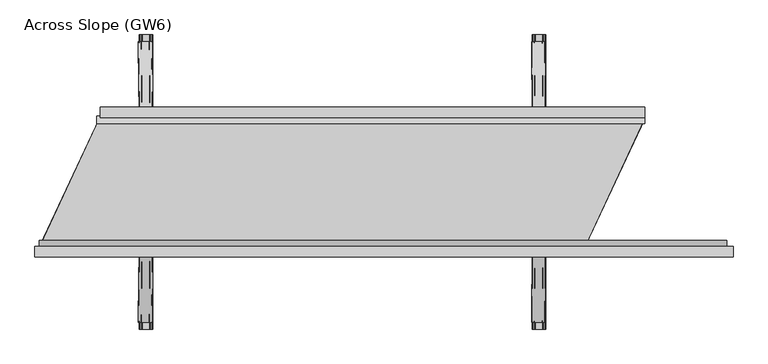
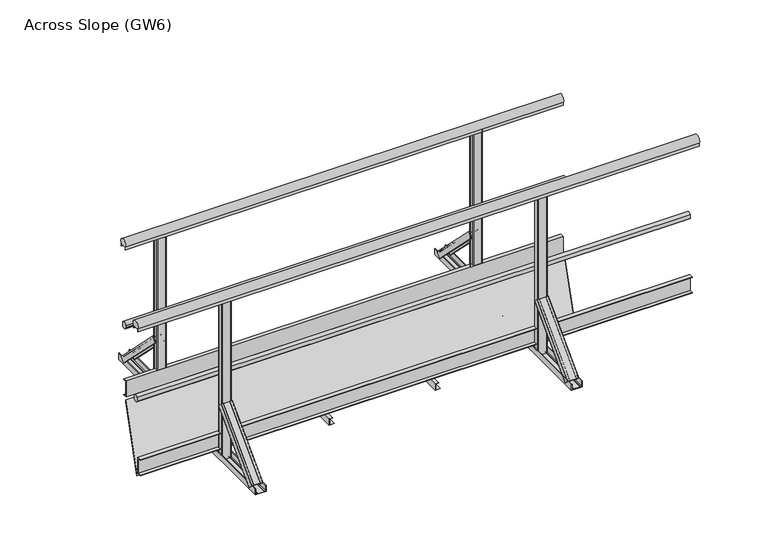
"""IFC4 building model written with IfcOpenShell, lengths in millimetres: proxy geometry, Across Slope (GW6)."""

from ifc_helpers import new_model, si_unit, point, frame, frame_2d, origin, origin_with_axes, place, context, project, spatial, polyline, circle_curve, trimmed, segment, composite_curve, outline, extrude, source, transform, mapped, element, save
from ifc_brep_helpers import plane_surface, extruded_surface, advanced_brep


def across_slope_gw6_6915d03c(model_context):
    return source(origin(), model_context, "Body", "SolidModel", [
        extrude(outline(polyline([(34.5, 63.0), (9.5, 63.0), (9.5, 163.0), (34.5, 163.0), (34.5, 160.0), (12.5, 160.0), (12.5, 66.0), (34.5, 66.0), (34.5, 63.0)])), frame((288.6034865, 0.0, 0.0), z_axis=(1.0, 0.0, 0.0), x_axis=(0.0, 1.0, 0.0)), (0.0, 0.0, 1.0), 2582.9381096),
        extrude(outline(composite_curve([segment(trimmed(circle_curve(frame_2d((31.5, 1015.0)), 25.0), [point((10.5, 1001.43534))], [point((52.5, 1001.43534))], False, "CARTESIAN"), True, "CONTINUOUS"), segment(polyline([(52.5, 1001.43534), (52.5, 983.0), (51.5, 983.0), (51.5, 998.0), (11.5, 998.0), (11.5, 983.0), (10.5, 983.0), (10.5, 1001.43534)]), True, "CONTINUOUS")], self_intersect=False)), frame((285.0, 0.0, 0.0), z_axis=(1.0, 0.0, 0.0), x_axis=(0.0, 1.0, 0.0)), (0.0, 0.0, 1.0), 2587.9381096),
        extrude(outline(composite_curve([segment(polyline([(-21.8, 520.617273), (-17.8, 520.617273), (-17.8, 535.382727), (-21.8, 535.382727)]), True, "CONTINUOUS"), segment(trimmed(circle_curve(frame_2d((-3.212495, 528.0)), 20.0), [point((-21.8, 535.382727))], [point((12.5, 540.3740657))], False, "CARTESIAN"), True, "CONTINUOUS"), segment(polyline([(12.5, 540.3740657), (12.5, 515.6259343)]), True, "CONTINUOUS"), segment(trimmed(circle_curve(frame_2d((-3.212495, 528.0)), 20.0), [point((12.5, 515.6259343))], [point((-21.8, 520.617273))], False, "CARTESIAN"), True, "CONTINUOUS")], self_intersect=False)), frame((270.0, 0.0, 0.0), z_axis=(1.0, 0.0, 0.0), x_axis=(0.0, 1.0, 0.0)), (0.0, 0.0, 1.0), 2602.9381096),
        extrude(outline(polyline([(-634.5, 63.0), (-634.5, 66.0), (-612.5, 66.0), (-612.5, 160.0), (-634.5, 160.0), (-634.5, 163.0), (-609.5, 163.0), (-609.5, 63.0), (-634.5, 63.0)])), frame((0.0, 0.0, 0.0), z_axis=(1.0, 0.0, 0.0), x_axis=(0.0, 1.0, 0.0)), (0.0, 0.0, 1.0), 3262.9381096),
        extrude(outline(composite_curve([segment(trimmed(circle_curve(frame_2d((-596.787505, 528.0)), 20.0), [point((-578.2, 520.617273))], [point((-612.5, 515.6259343))], False, "CARTESIAN"), True, "CONTINUOUS"), segment(polyline([(-612.5, 515.6259343), (-612.5, 540.3740657)]), True, "CONTINUOUS"), segment(trimmed(circle_curve(frame_2d((-596.787505, 528.0)), 20.0), [point((-612.5, 540.3740657))], [point((-578.2, 535.382727))], False, "CARTESIAN"), True, "CONTINUOUS"), segment(polyline([(-578.2, 535.382727), (-582.2, 535.382727), (-582.2, 520.617273), (-578.2, 520.617273)]), True, "CONTINUOUS")], self_intersect=False)), frame((-5.0, 0.0, 0.0), z_axis=(1.0, 0.0, 0.0), x_axis=(0.0, 1.0, 0.0)), (0.0, 0.0, 1.0), 3267.9381096),
        extrude(outline(composite_curve([segment(trimmed(circle_curve(frame_2d((-631.5, 1015.0)), 25.0), [point((-652.5, 1001.43534))], [point((-610.5, 1001.43534))], False, "CARTESIAN"), True, "CONTINUOUS"), segment(polyline([(-610.5, 1001.43534), (-610.5, 983.0), (-611.5, 983.0), (-611.5, 998.0), (-651.5, 998.0), (-651.5, 983.0), (-652.5, 983.0), (-652.5, 1001.43534)]), True, "CONTINUOUS")], self_intersect=False)), frame((-25.0, 0.0, 0.0), z_axis=(1.0, 0.0, 0.0), x_axis=(0.0, 1.0, 0.0)), (0.0, 0.0, 1.0), 3317.9381096),
        extrude(outline(polyline([(0.0, 1764.292073), (2.0, 1764.292073), (2.0, 1736.292073), (38.0, 1736.292073), (38.0, 1754.292073), (40.0, 1754.292073), (40.0, 1734.292073), (0.0, 1734.292073), (0.0, 1764.292073)])), frame((0.0, -650.0, 0.0), z_axis=(0.0, 1.0, 0.0), x_axis=(0.0, 0.0, 1.0)), (0.0, 0.0, 1.0), 700.0),
        extrude(outline(polyline([(0.0, 1138.6460365), (2.0, 1138.6460365), (2.0, 1110.6460365), (38.0, 1110.6460365), (38.0, 1128.6460365), (40.0, 1128.6460365), (40.0, 1108.6460365), (0.0, 1108.6460365), (0.0, 1138.6460365)])), frame((0.0, -650.0, 0.0), z_axis=(0.0, 1.0, 0.0), x_axis=(0.0, 0.0, 1.0)), (0.0, 0.0, 1.0), 700.0),
        advanced_brep(
        [(2399.9381096, 368.6980515, 38.0), (2399.9381096, 342.888654, 12.1906025), (2396.9381096, 342.888654, 12.1906025), (2396.9381096, 366.5767312, 35.8786797), (2386.9381096, 366.5767312, 35.8786797), (2386.9381096, 364.8089642, 34.1109127), (2385.9381096, 364.8089642, 34.1109127), (2385.9381096, 366.5767312, 35.8786797), (2348.9381096, 366.5767312, 35.8786797), (2348.9381096, 364.8089642, 34.1109127), (2347.9381096, 364.8089642, 34.1109127), (2347.9381096, 366.5767312, 35.8786797), (2337.9381096, 366.5767312, 35.8786797), (2337.9381096, 342.888654, 12.1906025), (2334.9381096, 342.888654, 12.1906025), (2334.9381096, 368.6980515, 38.0), (2402.9381096, 50.5, 356.1980516), (2337.9381096, 50.5, 356.1980516), (2337.9381096, 24.6906025, 330.3886541), (2340.9381096, 24.6906025, 330.3886541), (2340.9381096, 48.3786797, 354.0767312), (2350.9381096, 48.3786797, 354.0767312), (2350.9381096, 46.6109127, 352.3089643), (2351.9381096, 46.6109127, 352.3089643), (2351.9381096, 48.3786797, 354.0767312), (2388.9381096, 48.3786797, 354.0767312), (2388.9381096, 46.6109127, 352.3089643), (2389.9381096, 46.6109127, 352.3089643), (2389.9381096, 48.3786797, 354.0767312), (2399.9381096, 48.3786797, 354.0767312), (2399.9381096, 24.6906025, 330.3886541), (2402.9381096, 24.6906025, 330.3886541)],
        [
            (0, 1),
            (1, 2, circle_curve(frame((2398.4381096, 342.888654, 12.1906025), z_axis=(0.0, 0.7071067811865506, -0.7071067811865446), x_axis=(0.0, 0.7071067811865446, 0.7071067811865506)), 1.5)),
            (2, 3),
            (3, 4),
            (4, 5),
            (5, 6, circle_curve(frame((2386.4381096, 364.8089642, 34.1109127), z_axis=(0.0, 0.7071067811865506, -0.7071067811865446), x_axis=(0.0, 0.7071067811865446, 0.7071067811865506)), 0.5)),
            (6, 7),
            (7, 8),
            (8, 9),
            (9, 10, circle_curve(frame((2348.4381096, 364.8089642, 34.1109127), z_axis=(0.0, 0.7071067811865506, -0.7071067811865446), x_axis=(0.0, 0.7071067811865446, 0.7071067811865506)), 0.5)),
            (10, 11),
            (11, 12),
            (12, 13),
            (13, 14, circle_curve(frame((2336.4381096, 342.888654, 12.1906025), z_axis=(0.0, 0.7071067811865506, -0.7071067811865446), x_axis=(0.0, 0.7071067811865446, 0.7071067811865506)), 1.5)),
            (14, 15),
            (15, 0),
            (16, 17),
            (17, 18),
            (18, 19, circle_curve(frame((2339.4381096, 24.6906025, 330.3886541), z_axis=(0.0, -0.7071067811865506, 0.7071067811865446), x_axis=(0.0, 0.7071067811865446, 0.7071067811865506)), 1.5)),
            (19, 20),
            (20, 21),
            (21, 22),
            (22, 23, circle_curve(frame((2351.4381096, 46.6109127, 352.3089643), z_axis=(0.0, -0.7071067811865506, 0.7071067811865446), x_axis=(0.0, 0.7071067811865446, 0.7071067811865506)), 0.5)),
            (23, 24),
            (24, 25),
            (25, 26),
            (26, 27, circle_curve(frame((2389.4381096, 46.6109127, 352.3089643), z_axis=(0.0, -0.7071067811865506, 0.7071067811865446), x_axis=(0.0, 0.7071067811865446, 0.7071067811865506)), 0.5)),
            (27, 28),
            (28, 29),
            (29, 30),
            (30, 31, circle_curve(frame((2401.4381096, 24.6906025, 330.3886541), z_axis=(0.0, -0.7071067811865506, 0.7071067811865446), x_axis=(0.0, 0.7071067811865446, 0.7071067811865506)), 1.5)),
            (31, 16),
            (31, 1),
            (0, 16),
            (30, 2),
            (29, 3),
            (28, 4),
            (27, 5),
            (26, 6),
            (25, 7),
            (24, 8),
            (23, 9),
            (22, 10),
            (21, 11),
            (20, 12),
            (19, 13),
            (18, 14),
            (17, 15),
        ],
        [
            plane_surface(frame((2367.4381096, 360.4779352, 29.7798837), z_axis=(0.0, 0.7071067811865502, -0.7071067811865449), x_axis=(0.0, -0.7071067811865449, -0.7071067811865502))),
            plane_surface(frame((2370.4381096, 42.2798837, 347.9779352), z_axis=(0.0, -0.7071067811865505, 0.7071067811865447), x_axis=(0.0, -0.7071067811865447, -0.7071067811865505))),
            plane_surface(frame((2402.9381096, 37.5953012, 343.2933528), z_axis=(0.9999777785184913, 0.004713940454838276, -0.004713940454838116), x_axis=(0.0, -0.7071067811865449, -0.7071067811865502))),
            extruded_surface(trimmed(circle_curve(frame((2401.4381096, 24.6906025, 330.3886541), z_axis=(0.0, 0.7071067811865506, -0.7071067811865446), x_axis=(0.0, 0.7071067811865446, 0.7071067811865506)), 1.5), [point((2402.9381096, 24.6906025, 330.3886541))], [point((2399.9381096, 24.6906025, 330.3886541))], True, "CARTESIAN"), (-3.0, 318.19805149999996, -318.1980516), 450.00999991159404),
            plane_surface(frame((2399.9381096, 36.5346411, 342.2326926), z_axis=(-0.9999777785184911, -0.004713940454837886, 0.00471394045483772), x_axis=(0.0, 0.7071067811865445, 0.7071067811865506))),
            plane_surface(frame((2394.9381096, 48.3786797, 354.0767312), z_axis=(0.0, -0.7071067811865455, -0.7071067811865496), x_axis=(-1.0, 0.0, 0.0))),
            plane_surface(frame((2389.9381096, 47.4947962, 353.1928478), z_axis=(0.9999777785184913, 0.004713940454838199, -0.0047139404548380325), x_axis=(0.0, -0.7071067811865445, -0.7071067811865507))),
            extruded_surface(trimmed(circle_curve(frame((2389.4381096, 46.6109127, 352.3089643), z_axis=(0.0, 0.7071067811865506, -0.7071067811865446), x_axis=(0.0, 0.7071067811865446, 0.7071067811865506)), 0.5), [point((2389.9381096, 46.6109127, 352.3089643))], [point((2388.9381096, 46.6109127, 352.3089643))], True, "CARTESIAN"), (-3.0, 318.1980515, -318.1980516), 450.0099999115941),
            plane_surface(frame((2388.9381096, 47.4947962, 353.1928478), z_axis=(-0.9999777785184912, -0.004713940454838169, 0.0047139404548381045), x_axis=(0.0, 0.7071067811865521, 0.707106781186543))),
            plane_surface(frame((2370.4381096, 48.3786797, 354.0767312), z_axis=(0.0, -0.7071067811865461, -0.7071067811865491), x_axis=(-1.0, 0.0, 0.0))),
            plane_surface(frame((2351.9381096, 47.4947962, 353.1928478), z_axis=(0.9999777785184911, 0.004713940454838164, -0.004713940454837987), x_axis=(0.0, -0.7071067811865436, -0.7071067811865515))),
            extruded_surface(trimmed(circle_curve(frame((2351.4381096, 46.6109127, 352.3089643), z_axis=(0.0, 0.7071067811865506, -0.7071067811865446), x_axis=(0.0, 0.7071067811865446, 0.7071067811865506)), 0.5), [point((2351.9381096, 46.6109127, 352.3089643))], [point((2350.9381096, 46.6109127, 352.3089643))], True, "CARTESIAN"), (-3.0, 318.1980515, -318.1980516), 450.0099999115941),
            plane_surface(frame((2350.9381096, 47.4947962, 353.1928478), z_axis=(-0.9999777785184913, -0.004713940454838203, 0.004713940454838003), x_axis=(0.0, 0.7071067811865419, 0.7071067811865532))),
            plane_surface(frame((2345.9381096, 48.3786797, 354.0767312), z_axis=(0.0, -0.7071067811865461, -0.7071067811865491), x_axis=(-1.0, 0.0, 0.0))),
            plane_surface(frame((2340.9381096, 36.5346411, 342.2326926), z_axis=(0.9999777785184911, 0.004713940454838192, -0.004713940454838038), x_axis=(0.0, -0.7071067811865454, -0.7071067811865497))),
            extruded_surface(trimmed(circle_curve(frame((2339.4381096, 24.6906025, 330.3886541), z_axis=(0.0, 0.7071067811865506, -0.7071067811865446), x_axis=(0.0, 0.7071067811865446, 0.7071067811865506)), 1.5), [point((2340.9381096, 24.6906025, 330.3886541))], [point((2337.9381096, 24.6906025, 330.3886541))], True, "CARTESIAN"), (-3.0, 318.19805149999996, -318.1980516), 450.00999991159404),
            plane_surface(frame((2337.9381096, 37.5953012, 343.2933528), z_axis=(-0.9999777785184911, -0.00471394045483825, 0.004713940454838091), x_axis=(0.0, 0.7071067811865449, 0.7071067811865501))),
            plane_surface(frame((2370.4381096, 50.5, 356.1980516), z_axis=(0.0, 0.7071067811865455, 0.7071067811865497), x_axis=(1.0, 0.0, 0.0))),
        ],
        [
            (0, [[1, 2, 3, 4, 5, 6, 7, 8, 9, 10, 11, 12, 13, 14, 15, 16]]),
            (1, [[17, 18, 19, 20, 21, 22, 23, 24, 25, 26, 27, 28, 29, 30, 31, 32]]),
            (2, [[-32, 33, -1, 34]]),
            (3, [[-31, 35, -2, -33]]),
            (4, [[-30, 36, -3, -35]]),
            (5, [[-29, 37, -4, -36]]),
            (6, [[-28, 38, -5, -37]]),
            (7, [[-27, 39, -6, -38]]),
            (8, [[-26, 40, -7, -39]]),
            (9, [[-25, 41, -8, -40]]),
            (10, [[-24, 42, -9, -41]]),
            (11, [[-23, 43, -10, -42]]),
            (12, [[-22, 44, -11, -43]]),
            (13, [[-21, 45, -12, -44]]),
            (14, [[-20, 46, -13, -45]]),
            (15, [[-19, 47, -14, -46]]),
            (16, [[-18, 48, -15, -47]]),
            (17, [[-17, -34, -16, -48]]),
        ],
    ),
        extrude(outline(composite_curve([segment(trimmed(circle_curve(frame_2d((2393.4381096, 45.5)), 5.0), [point((2393.4381096, 50.5))], [point((2398.4381096, 45.5))], False, "CARTESIAN"), True, "CONTINUOUS"), segment(polyline([(2398.4381096, 45.5), (2398.4381096, 17.5)]), True, "CONTINUOUS"), segment(trimmed(circle_curve(frame_2d((2393.4381096, 17.5)), 5.0), [point((2398.4381096, 17.5))], [point((2393.4381096, 12.5))], False, "CARTESIAN"), True, "CONTINUOUS"), segment(polyline([(2393.4381096, 12.5), (2347.4381096, 12.5)]), True, "CONTINUOUS"), segment(trimmed(circle_curve(frame_2d((2347.4381096, 17.5)), 5.0), [point((2347.4381096, 12.5))], [point((2342.4381096, 17.5))], False, "CARTESIAN"), True, "CONTINUOUS"), segment(polyline([(2342.4381096, 17.5), (2342.4381096, 45.5)]), True, "CONTINUOUS"), segment(trimmed(circle_curve(frame_2d((2347.4381096, 45.5)), 5.0), [point((2342.4381096, 45.5))], [point((2347.4381096, 50.5))], False, "CARTESIAN"), True, "CONTINUOUS"), segment(polyline([(2347.4381096, 50.5), (2393.4381096, 50.5)]), True, "CONTINUOUS")], self_intersect=False)), origin_with_axes(), (0.0, 0.0, 1.0), 998.0),
        extrude(outline(composite_curve([segment(trimmed(circle_curve(frame_2d((2393.4381096, -617.5)), 5.0), [point((2393.4381096, -612.5))], [point((2398.4381096, -617.5))], False, "CARTESIAN"), True, "CONTINUOUS"), segment(polyline([(2398.4381096, -617.5), (2398.4381096, -645.5)]), True, "CONTINUOUS"), segment(trimmed(circle_curve(frame_2d((2393.4381096, -645.5)), 5.0), [point((2398.4381096, -645.5))], [point((2393.4381096, -650.5))], False, "CARTESIAN"), True, "CONTINUOUS"), segment(polyline([(2393.4381096, -650.5), (2347.4381096, -650.5)]), True, "CONTINUOUS"), segment(trimmed(circle_curve(frame_2d((2347.4381096, -645.5)), 5.0), [point((2347.4381096, -650.5))], [point((2342.4381096, -645.5))], False, "CARTESIAN"), True, "CONTINUOUS"), segment(polyline([(2342.4381096, -645.5), (2342.4381096, -617.5)]), True, "CONTINUOUS"), segment(trimmed(circle_curve(frame_2d((2347.4381096, -617.5)), 5.0), [point((2342.4381096, -617.5))], [point((2347.4381096, -612.5))], False, "CARTESIAN"), True, "CONTINUOUS"), segment(polyline([(2347.4381096, -612.5), (2393.4381096, -612.5)]), True, "CONTINUOUS")], self_intersect=False)), origin_with_axes(), (0.0, 0.0, 1.0), 998.0),
        advanced_brep(
        [(2334.9381096, -968.7087394, 38.0), (2334.9381096, -942.8993419, 12.1906025), (2337.9381096, -942.8993419, 12.1906025), (2337.9381096, -966.5874191, 35.8786797), (2347.9381096, -966.5874191, 35.8786797), (2347.9381096, -964.8196521, 34.1109127), (2348.9381096, -964.8196521, 34.1109127), (2348.9381096, -966.5874191, 35.8786797), (2385.9381096, -966.5874191, 35.8786797), (2385.9381096, -964.8196521, 34.1109127), (2386.9381096, -964.8196521, 34.1109127), (2386.9381096, -966.5874191, 35.8786797), (2396.9381096, -966.5874191, 35.8786797), (2396.9381096, -942.8993419, 12.1906025), (2399.9381096, -942.8993419, 12.1906025), (2399.9381096, -968.7087394, 38.0), (2337.9381096, -650.5106879, 356.1980516), (2402.9381096, -650.5106879, 356.1980516), (2402.9381096, -624.7012904, 330.3886541), (2399.9381096, -624.7012904, 330.3886541), (2399.9381096, -648.3893676, 354.0767312), (2389.9381096, -648.3893676, 354.0767312), (2389.9381096, -646.6216006, 352.3089643), (2388.9381096, -646.6216006, 352.3089643), (2388.9381096, -648.3893676, 354.0767312), (2351.9381096, -648.3893676, 354.0767312), (2351.9381096, -646.6216006, 352.3089643), (2350.9381096, -646.6216006, 352.3089643), (2350.9381096, -648.3893676, 354.0767312), (2340.9381096, -648.3893676, 354.0767312), (2340.9381096, -624.7012904, 330.3886541), (2337.9381096, -624.7012904, 330.3886541)],
        [
            (0, 1),
            (1, 2, circle_curve(frame((2336.4381096, -942.8993419, 12.1906025), z_axis=(0.0, -0.7071067811865432, -0.7071067811865519), x_axis=(0.0, 0.7071067811865519, -0.7071067811865432)), 1.5)),
            (2, 3),
            (3, 4),
            (4, 5),
            (5, 6, circle_curve(frame((2348.4381096, -964.8196521, 34.1109127), z_axis=(0.0, -0.7071067811865432, -0.7071067811865519), x_axis=(0.0, 0.7071067811865519, -0.7071067811865432)), 0.5)),
            (6, 7),
            (7, 8),
            (8, 9),
            (9, 10, circle_curve(frame((2386.4381096, -964.8196521, 34.1109127), z_axis=(0.0, -0.7071067811865432, -0.7071067811865519), x_axis=(0.0, 0.7071067811865519, -0.7071067811865432)), 0.5)),
            (10, 11),
            (11, 12),
            (12, 13),
            (13, 14, circle_curve(frame((2398.4381096, -942.8993419, 12.1906025), z_axis=(0.0, -0.7071067811865432, -0.7071067811865519), x_axis=(0.0, 0.7071067811865519, -0.7071067811865432)), 1.5)),
            (14, 15),
            (15, 0),
            (16, 17),
            (17, 18),
            (18, 19, circle_curve(frame((2401.4381096, -624.7012904, 330.3886541), z_axis=(0.0, 0.7071067811865432, 0.7071067811865519), x_axis=(0.0, 0.7071067811865519, -0.7071067811865432)), 1.5)),
            (19, 20),
            (20, 21),
            (21, 22),
            (22, 23, circle_curve(frame((2389.4381096, -646.6216006, 352.3089643), z_axis=(0.0, 0.7071067811865432, 0.7071067811865519), x_axis=(0.0, 0.7071067811865519, -0.7071067811865432)), 0.5)),
            (23, 24),
            (24, 25),
            (25, 26),
            (26, 27, circle_curve(frame((2351.4381096, -646.6216006, 352.3089643), z_axis=(0.0, 0.7071067811865432, 0.7071067811865519), x_axis=(0.0, 0.7071067811865519, -0.7071067811865432)), 0.5)),
            (27, 28),
            (28, 29),
            (29, 30),
            (30, 31, circle_curve(frame((2339.4381096, -624.7012904, 330.3886541), z_axis=(0.0, 0.7071067811865432, 0.7071067811865519), x_axis=(0.0, 0.7071067811865519, -0.7071067811865432)), 1.5)),
            (31, 16),
            (31, 1),
            (0, 16),
            (30, 2),
            (29, 3),
            (28, 4),
            (27, 5),
            (26, 6),
            (25, 7),
            (24, 8),
            (23, 9),
            (22, 10),
            (21, 11),
            (20, 12),
            (19, 13),
            (18, 14),
            (17, 15),
        ],
        [
            plane_surface(frame((2367.4381096, -960.4886231, 29.7798837), z_axis=(0.0, -0.707106781186543, -0.7071067811865521), x_axis=(0.0, 0.7071067811865521, -0.707106781186543))),
            plane_surface(frame((2370.4381096, -642.2905716, 347.9779352), z_axis=(0.0, 0.7071067811865432, 0.7071067811865519), x_axis=(0.0, 0.7071067811865519, -0.7071067811865432))),
            plane_surface(frame((2337.9381096, -637.6059891, 343.2933528), z_axis=(-0.9999777785184912, 0.004713940454842057, 0.004713940454841993), x_axis=(0.0, 0.7071067811865521, -0.707106781186543))),
            extruded_surface(trimmed(circle_curve(frame((2339.4381096, -624.7012904, 330.3886541), z_axis=(0.0, -0.7071067811865432, -0.7071067811865519), x_axis=(0.0, 0.7071067811865519, -0.7071067811865432)), 1.5), [point((2337.9381096, -624.7012904, 330.3886541))], [point((2340.9381096, -624.7012904, 330.3886541))], True, "CARTESIAN"), (-3.0, -318.1980515, -318.1980516), 450.0099999115941),
            plane_surface(frame((2340.9381096, -636.545329, 342.2326926), z_axis=(0.9999777785184912, -0.004713940454842057, -0.004713940454841993), x_axis=(0.0, -0.7071067811865521, 0.707106781186543))),
            plane_surface(frame((2345.9381096, -648.3893676, 354.0767312), z_axis=(0.0, 0.7071067811865525, -0.7071067811865427), x_axis=(1.0, 0.0, 0.0))),
            plane_surface(frame((2350.9381096, -647.5054841, 353.1928478), z_axis=(-0.9999777785184911, 0.004713940454842033, 0.004713940454842016), x_axis=(0.0, 0.7071067811865557, -0.7071067811865394))),
            extruded_surface(trimmed(circle_curve(frame((2351.4381096, -646.6216006, 352.3089643), z_axis=(0.0, -0.7071067811865432, -0.7071067811865519), x_axis=(0.0, 0.7071067811865519, -0.7071067811865432)), 0.5), [point((2350.9381096, -646.6216006, 352.3089643))], [point((2351.9381096, -646.6216006, 352.3089643))], True, "CARTESIAN"), (-3.0, -318.1980515, -318.1980516), 450.0099999115941),
            plane_surface(frame((2351.9381096, -647.5054841, 353.1928478), z_axis=(0.9999777785184911, -0.004713940454842045, -0.004713940454842029), x_axis=(0.0, -0.7071067811865557, 0.7071067811865394))),
            plane_surface(frame((2370.4381096, -648.3893676, 354.0767312), z_axis=(0.0, 0.7071067811865525, -0.7071067811865427), x_axis=(1.0, 0.0, 0.0))),
            plane_surface(frame((2388.9381096, -647.5054841, 353.1928478), z_axis=(-0.9999777785184911, 0.004713940454842039, 0.004713940454842022), x_axis=(0.0, 0.7071067811865557, -0.7071067811865394))),
            extruded_surface(trimmed(circle_curve(frame((2389.4381096, -646.6216006, 352.3089643), z_axis=(0.0, -0.7071067811865432, -0.7071067811865519), x_axis=(0.0, 0.7071067811865519, -0.7071067811865432)), 0.5), [point((2388.9381096, -646.6216006, 352.3089643))], [point((2389.9381096, -646.6216006, 352.3089643))], True, "CARTESIAN"), (-3.0, -318.1980515, -318.1980516), 450.0099999115941),
            plane_surface(frame((2389.9381096, -647.5054841, 353.1928478), z_axis=(0.9999777785184911, -0.004713940454842066, -0.004713940454841994), x_axis=(0.0, -0.7071067811865515, 0.7071067811865436))),
            plane_surface(frame((2394.9381096, -648.3893676, 354.0767312), z_axis=(0.0, 0.7071067811865522, -0.707106781186543), x_axis=(1.0, 0.0, 0.0))),
            plane_surface(frame((2399.9381096, -636.545329, 342.2326926), z_axis=(-0.9999777785184911, 0.004713940454842064, 0.004713940454841998), x_axis=(0.0, 0.707106781186552, -0.7071067811865431))),
            extruded_surface(trimmed(circle_curve(frame((2401.4381096, -624.7012904, 330.3886541), z_axis=(0.0, -0.7071067811865432, -0.7071067811865519), x_axis=(0.0, 0.7071067811865519, -0.7071067811865432)), 1.5), [point((2399.9381096, -624.7012904, 330.3886541))], [point((2402.9381096, -624.7012904, 330.3886541))], True, "CARTESIAN"), (-3.0, -318.1980515, -318.1980516), 450.0099999115941),
            plane_surface(frame((2402.9381096, -637.6059891, 343.2933528), z_axis=(0.9999777785184913, -0.004713940454842066, -0.004713940454841998), x_axis=(0.0, -0.7071067811865519, 0.7071067811865432))),
            plane_surface(frame((2370.4381096, -650.5106879, 356.1980516), z_axis=(0.0, -0.7071067811865526, 0.7071067811865427), x_axis=(-1.0, 0.0, 0.0))),
        ],
        [
            (0, [[1, 2, 3, 4, 5, 6, 7, 8, 9, 10, 11, 12, 13, 14, 15, 16]]),
            (1, [[17, 18, 19, 20, 21, 22, 23, 24, 25, 26, 27, 28, 29, 30, 31, 32]]),
            (2, [[-32, 33, -1, 34]]),
            (3, [[-31, 35, -2, -33]]),
            (4, [[-30, 36, -3, -35]]),
            (5, [[-29, 37, -4, -36]]),
            (6, [[-28, 38, -5, -37]]),
            (7, [[-27, 39, -6, -38]]),
            (8, [[-26, 40, -7, -39]]),
            (9, [[-25, 41, -8, -40]]),
            (10, [[-24, 42, -9, -41]]),
            (11, [[-23, 43, -10, -42]]),
            (12, [[-22, 44, -11, -43]]),
            (13, [[-21, 45, -12, -44]]),
            (14, [[-20, 46, -13, -45]]),
            (15, [[-19, 47, -14, -46]]),
            (16, [[-18, 48, -15, -47]]),
            (17, [[-17, -34, -16, -48]]),
        ],
    ),
        extrude(outline(composite_curve([segment(polyline([(0.0, 2337.9381096), (0.0, 2402.9381096), (36.5, 2402.9381096)]), True, "CONTINUOUS"), segment(trimmed(circle_curve(frame_2d((36.5, 2401.4381096)), 1.5), [point((36.5, 2402.9381096))], [point((36.5, 2399.9381096))], False, "CARTESIAN"), True, "CONTINUOUS"), segment(polyline([(36.5, 2399.9381096), (3.0, 2399.9381096), (3.0, 2389.9381096), (5.5, 2389.9381096)]), True, "CONTINUOUS"), segment(trimmed(circle_curve(frame_2d((5.5, 2389.4381096)), 0.5), [point((5.5, 2389.9381096))], [point((5.5, 2388.9381096))], False, "CARTESIAN"), True, "CONTINUOUS"), segment(polyline([(5.5, 2388.9381096), (3.0, 2388.9381096), (3.0, 2351.9381096), (5.5, 2351.9381096)]), True, "CONTINUOUS"), segment(trimmed(circle_curve(frame_2d((5.5, 2351.4381096)), 0.5), [point((5.5, 2351.9381096))], [point((5.5, 2350.9381096))], False, "CARTESIAN"), True, "CONTINUOUS"), segment(polyline([(5.5, 2350.9381096), (3.0, 2350.9381096), (3.0, 2340.9381096), (36.5, 2340.9381096)]), True, "CONTINUOUS"), segment(trimmed(circle_curve(frame_2d((36.5, 2339.4381096)), 1.5), [point((36.5, 2340.9381096))], [point((36.5, 2337.9381096))], False, "CARTESIAN"), True, "CONTINUOUS"), segment(polyline([(36.5, 2337.9381096), (0.0, 2337.9381096)]), True, "CONTINUOUS")], self_intersect=False)), frame((0.0, -1000.0, 0.0), z_axis=(0.0, 1.0, 0.0), x_axis=(0.0, 0.0, 1.0)), (0.0, 0.0, 1.0), 1400.0),
        advanced_brep(
        [(532.0, 368.6980515, 38.0), (532.0, 342.888654, 12.1906025), (529.0, 342.888654, 12.1906025), (529.0, 366.5767312, 35.8786797), (519.0, 366.5767312, 35.8786797), (519.0, 364.8089642, 34.1109127), (518.0, 364.8089642, 34.1109127), (518.0, 366.5767312, 35.8786797), (481.0, 366.5767312, 35.8786797), (481.0, 364.8089642, 34.1109127), (480.0, 364.8089642, 34.1109127), (480.0, 366.5767312, 35.8786797), (470.0, 366.5767312, 35.8786797), (470.0, 342.888654, 12.1906025), (467.0, 342.888654, 12.1906025), (467.0, 368.6980515, 38.0), (535.0, 50.5, 356.1980515), (470.0, 50.5, 356.1980515), (470.0, 24.6906025, 330.388654), (473.0, 24.6906025, 330.388654), (473.0, 48.3786797, 354.0767312), (483.0, 48.3786797, 354.0767312), (483.0, 46.6109127, 352.3089642), (484.0, 46.6109127, 352.3089642), (484.0, 48.3786797, 354.0767312), (521.0, 48.3786797, 354.0767312), (521.0, 46.6109127, 352.3089642), (522.0, 46.6109127, 352.3089642), (522.0, 48.3786797, 354.0767312), (532.0, 48.3786797, 354.0767312), (532.0, 24.6906025, 330.388654), (535.0, 24.6906025, 330.388654)],
        [
            (0, 1),
            (1, 2, circle_curve(frame((530.5, 342.888654, 12.1906025), z_axis=(0.0, 0.7071067811865506, -0.7071067811865446), x_axis=(0.0, 0.7071067811865446, 0.7071067811865506)), 1.5)),
            (2, 3),
            (3, 4),
            (4, 5),
            (5, 6, circle_curve(frame((518.5, 364.8089642, 34.1109127), z_axis=(0.0, 0.7071067811865506, -0.7071067811865446), x_axis=(0.0, 0.7071067811865446, 0.7071067811865506)), 0.5)),
            (6, 7),
            (7, 8),
            (8, 9),
            (9, 10, circle_curve(frame((480.5, 364.8089642, 34.1109127), z_axis=(0.0, 0.7071067811865506, -0.7071067811865446), x_axis=(0.0, 0.7071067811865446, 0.7071067811865506)), 0.5)),
            (10, 11),
            (11, 12),
            (12, 13),
            (13, 14, circle_curve(frame((468.5, 342.888654, 12.1906025), z_axis=(0.0, 0.7071067811865506, -0.7071067811865446), x_axis=(0.0, 0.7071067811865446, 0.7071067811865506)), 1.5)),
            (14, 15),
            (15, 0),
            (16, 17),
            (17, 18),
            (18, 19, circle_curve(frame((471.5, 24.6906025, 330.388654), z_axis=(0.0, -0.7071067811865506, 0.7071067811865446), x_axis=(0.0, 0.7071067811865446, 0.7071067811865506)), 1.5)),
            (19, 20),
            (20, 21),
            (21, 22),
            (22, 23, circle_curve(frame((483.5, 46.6109127, 352.3089642), z_axis=(0.0, -0.7071067811865506, 0.7071067811865446), x_axis=(0.0, 0.7071067811865446, 0.7071067811865506)), 0.5)),
            (23, 24),
            (24, 25),
            (25, 26),
            (26, 27, circle_curve(frame((521.5, 46.6109127, 352.3089642), z_axis=(0.0, -0.7071067811865506, 0.7071067811865446), x_axis=(0.0, 0.7071067811865446, 0.7071067811865506)), 0.5)),
            (27, 28),
            (28, 29),
            (29, 30),
            (30, 31, circle_curve(frame((533.5, 24.6906025, 330.388654), z_axis=(0.0, -0.7071067811865506, 0.7071067811865446), x_axis=(0.0, 0.7071067811865446, 0.7071067811865506)), 1.5)),
            (31, 16),
            (31, 1),
            (0, 16),
            (30, 2),
            (29, 3),
            (28, 4),
            (27, 5),
            (26, 6),
            (25, 7),
            (24, 8),
            (23, 9),
            (22, 10),
            (21, 11),
            (20, 12),
            (19, 13),
            (18, 14),
            (17, 15),
        ],
        [
            plane_surface(frame((499.5, 360.4779352, 29.7798837), z_axis=(0.0, 0.7071067811865502, -0.7071067811865449), x_axis=(0.0, -0.7071067811865449, -0.7071067811865502))),
            plane_surface(frame((502.5, 42.2798837, 347.9779352), z_axis=(0.0, -0.7071067811865505, 0.7071067811865447), x_axis=(0.0, -0.7071067811865447, -0.7071067811865505))),
            plane_surface(frame((535.0, 37.5953012, 343.2933528), z_axis=(0.9999777785184913, 0.004713940454838276, -0.004713940454838116), x_axis=(0.0, -0.7071067811865449, -0.7071067811865502))),
            extruded_surface(trimmed(circle_curve(frame((533.5, 24.6906025, 330.388654), z_axis=(0.0, 0.7071067811865506, -0.7071067811865446), x_axis=(0.0, 0.7071067811865446, 0.7071067811865506)), 1.5), [point((535.0, 24.6906025, 330.388654))], [point((532.0, 24.6906025, 330.388654))], True, "CARTESIAN"), (-3.0, 318.19805149999996, -318.19805149999996), 450.009999840885),
            plane_surface(frame((532.0, 36.5346411, 342.2326926), z_axis=(-0.9999777785184911, -0.004713940454837886, 0.00471394045483772), x_axis=(0.0, 0.7071067811865445, 0.7071067811865506))),
            plane_surface(frame((527.0, 48.3786797, 354.0767312), z_axis=(0.0, -0.7071067811865455, -0.7071067811865496), x_axis=(-1.0, 0.0, 0.0))),
            plane_surface(frame((522.0, 47.4947962, 353.1928477), z_axis=(0.9999777785184913, 0.004713940454838199, -0.0047139404548380325), x_axis=(0.0, -0.7071067811865445, -0.7071067811865507))),
            extruded_surface(trimmed(circle_curve(frame((521.5, 46.6109127, 352.3089642), z_axis=(0.0, 0.7071067811865506, -0.7071067811865446), x_axis=(0.0, 0.7071067811865446, 0.7071067811865506)), 0.5), [point((522.0, 46.6109127, 352.3089642))], [point((521.0, 46.6109127, 352.3089642))], True, "CARTESIAN"), (-3.0, 318.1980515, -318.1980515), 450.00999984088503),
            plane_surface(frame((521.0, 47.4947962, 353.1928477), z_axis=(-0.9999777785184912, -0.004713940454838169, 0.0047139404548381045), x_axis=(0.0, 0.7071067811865521, 0.707106781186543))),
            plane_surface(frame((502.5, 48.3786797, 354.0767312), z_axis=(0.0, -0.7071067811865461, -0.7071067811865491), x_axis=(-1.0, 0.0, 0.0))),
            plane_surface(frame((484.0, 47.4947962, 353.1928477), z_axis=(0.9999777785184911, 0.004713940454838164, -0.004713940454837987), x_axis=(0.0, -0.7071067811865436, -0.7071067811865515))),
            extruded_surface(trimmed(circle_curve(frame((483.5, 46.6109127, 352.3089642), z_axis=(0.0, 0.7071067811865506, -0.7071067811865446), x_axis=(0.0, 0.7071067811865446, 0.7071067811865506)), 0.5), [point((484.0, 46.6109127, 352.3089642))], [point((483.0, 46.6109127, 352.3089642))], True, "CARTESIAN"), (-3.0, 318.1980515, -318.1980515), 450.00999984088503),
            plane_surface(frame((483.0, 47.4947962, 353.1928477), z_axis=(-0.9999777785184913, -0.004713940454838203, 0.004713940454838003), x_axis=(0.0, 0.7071067811865419, 0.7071067811865532))),
            plane_surface(frame((478.0, 48.3786797, 354.0767312), z_axis=(0.0, -0.7071067811865461, -0.7071067811865491), x_axis=(-1.0, 0.0, 0.0))),
            plane_surface(frame((473.0, 36.5346411, 342.2326926), z_axis=(0.9999777785184911, 0.004713940454838192, -0.004713940454838038), x_axis=(0.0, -0.7071067811865454, -0.7071067811865497))),
            extruded_surface(trimmed(circle_curve(frame((471.5, 24.6906025, 330.388654), z_axis=(0.0, 0.7071067811865506, -0.7071067811865446), x_axis=(0.0, 0.7071067811865446, 0.7071067811865506)), 1.5), [point((473.0, 24.6906025, 330.388654))], [point((470.0, 24.6906025, 330.388654))], True, "CARTESIAN"), (-3.0, 318.19805149999996, -318.19805149999996), 450.009999840885),
            plane_surface(frame((470.0, 37.5953012, 343.2933528), z_axis=(-0.9999777785184911, -0.00471394045483825, 0.004713940454838091), x_axis=(0.0, 0.7071067811865449, 0.7071067811865501))),
            plane_surface(frame((502.5, 50.5, 356.1980515), z_axis=(0.0, 0.7071067811865455, 0.7071067811865497), x_axis=(1.0, 0.0, 0.0))),
        ],
        [
            (0, [[1, 2, 3, 4, 5, 6, 7, 8, 9, 10, 11, 12, 13, 14, 15, 16]]),
            (1, [[17, 18, 19, 20, 21, 22, 23, 24, 25, 26, 27, 28, 29, 30, 31, 32]]),
            (2, [[-32, 33, -1, 34]]),
            (3, [[-31, 35, -2, -33]]),
            (4, [[-30, 36, -3, -35]]),
            (5, [[-29, 37, -4, -36]]),
            (6, [[-28, 38, -5, -37]]),
            (7, [[-27, 39, -6, -38]]),
            (8, [[-26, 40, -7, -39]]),
            (9, [[-25, 41, -8, -40]]),
            (10, [[-24, 42, -9, -41]]),
            (11, [[-23, 43, -10, -42]]),
            (12, [[-22, 44, -11, -43]]),
            (13, [[-21, 45, -12, -44]]),
            (14, [[-20, 46, -13, -45]]),
            (15, [[-19, 47, -14, -46]]),
            (16, [[-18, 48, -15, -47]]),
            (17, [[-17, -34, -16, -48]]),
        ],
    ),
        extrude(outline(composite_curve([segment(trimmed(circle_curve(frame_2d((525.5, 45.5)), 5.0), [point((525.5, 50.5))], [point((530.5, 45.5))], False, "CARTESIAN"), True, "CONTINUOUS"), segment(polyline([(530.5, 45.5), (530.5, 17.5)]), True, "CONTINUOUS"), segment(trimmed(circle_curve(frame_2d((525.5, 17.5)), 5.0), [point((530.5, 17.5))], [point((525.5, 12.5))], False, "CARTESIAN"), True, "CONTINUOUS"), segment(polyline([(525.5, 12.5), (479.5, 12.5)]), True, "CONTINUOUS"), segment(trimmed(circle_curve(frame_2d((479.5, 17.5)), 5.0), [point((479.5, 12.5))], [point((474.5, 17.5))], False, "CARTESIAN"), True, "CONTINUOUS"), segment(polyline([(474.5, 17.5), (474.5, 45.5)]), True, "CONTINUOUS"), segment(trimmed(circle_curve(frame_2d((479.5, 45.5)), 5.0), [point((474.5, 45.5))], [point((479.5, 50.5))], False, "CARTESIAN"), True, "CONTINUOUS"), segment(polyline([(479.5, 50.5), (525.5, 50.5)]), True, "CONTINUOUS")], self_intersect=False)), origin_with_axes(), (0.0, 0.0, 1.0), 998.0),
        extrude(outline(composite_curve([segment(trimmed(circle_curve(frame_2d((525.5, -617.5)), 5.0), [point((525.5, -612.5))], [point((530.5, -617.5))], False, "CARTESIAN"), True, "CONTINUOUS"), segment(polyline([(530.5, -617.5), (530.5, -645.5)]), True, "CONTINUOUS"), segment(trimmed(circle_curve(frame_2d((525.5, -645.5)), 5.0), [point((530.5, -645.5))], [point((525.5, -650.5))], False, "CARTESIAN"), True, "CONTINUOUS"), segment(polyline([(525.5, -650.5), (479.5, -650.5)]), True, "CONTINUOUS"), segment(trimmed(circle_curve(frame_2d((479.5, -645.5)), 5.0), [point((479.5, -650.5))], [point((474.5, -645.5))], False, "CARTESIAN"), True, "CONTINUOUS"), segment(polyline([(474.5, -645.5), (474.5, -617.5)]), True, "CONTINUOUS"), segment(trimmed(circle_curve(frame_2d((479.5, -617.5)), 5.0), [point((474.5, -617.5))], [point((479.5, -612.5))], False, "CARTESIAN"), True, "CONTINUOUS"), segment(polyline([(479.5, -612.5), (525.5, -612.5)]), True, "CONTINUOUS")], self_intersect=False)), origin_with_axes(), (0.0, 0.0, 1.0), 998.0),
        advanced_brep(
        [(467.0, -968.7087394, 38.0), (467.0, -942.8993419, 12.1906025), (470.0, -942.8993419, 12.1906025), (470.0, -966.5874191, 35.8786797), (480.0, -966.5874191, 35.8786797), (480.0, -964.8196521, 34.1109127), (481.0, -964.8196521, 34.1109127), (481.0, -966.5874191, 35.8786797), (518.0, -966.5874191, 35.8786797), (518.0, -964.8196521, 34.1109127), (519.0, -964.8196521, 34.1109127), (519.0, -966.5874191, 35.8786797), (529.0, -966.5874191, 35.8786797), (529.0, -942.8993419, 12.1906025), (532.0, -942.8993419, 12.1906025), (532.0, -968.7087394, 38.0), (470.0, -650.5106879, 356.1980515), (535.0, -650.5106879, 356.1980515), (535.0, -624.7012904, 330.388654), (532.0, -624.7012904, 330.388654), (532.0, -648.3893676, 354.0767312), (522.0, -648.3893676, 354.0767312), (522.0, -646.6216006, 352.3089642), (521.0, -646.6216006, 352.3089642), (521.0, -648.3893676, 354.0767312), (484.0, -648.3893676, 354.0767312), (484.0, -646.6216006, 352.3089642), (483.0, -646.6216006, 352.3089642), (483.0, -648.3893676, 354.0767312), (473.0, -648.3893676, 354.0767312), (473.0, -624.7012904, 330.388654), (470.0, -624.7012904, 330.388654)],
        [
            (0, 1),
            (1, 2, circle_curve(frame((468.5, -942.8993419, 12.1906025), z_axis=(0.0, -0.7071067811865432, -0.7071067811865519), x_axis=(0.0, 0.7071067811865519, -0.7071067811865432)), 1.5)),
            (2, 3),
            (3, 4),
            (4, 5),
            (5, 6, circle_curve(frame((480.5, -964.8196521, 34.1109127), z_axis=(0.0, -0.7071067811865432, -0.7071067811865519), x_axis=(0.0, 0.7071067811865519, -0.7071067811865432)), 0.5)),
            (6, 7),
            (7, 8),
            (8, 9),
            (9, 10, circle_curve(frame((518.5, -964.8196521, 34.1109127), z_axis=(0.0, -0.7071067811865432, -0.7071067811865519), x_axis=(0.0, 0.7071067811865519, -0.7071067811865432)), 0.5)),
            (10, 11),
            (11, 12),
            (12, 13),
            (13, 14, circle_curve(frame((530.5, -942.8993419, 12.1906025), z_axis=(0.0, -0.7071067811865432, -0.7071067811865519), x_axis=(0.0, 0.7071067811865519, -0.7071067811865432)), 1.5)),
            (14, 15),
            (15, 0),
            (16, 17),
            (17, 18),
            (18, 19, circle_curve(frame((533.5, -624.7012904, 330.388654), z_axis=(0.0, 0.7071067811865432, 0.7071067811865519), x_axis=(0.0, 0.7071067811865519, -0.7071067811865432)), 1.5)),
            (19, 20),
            (20, 21),
            (21, 22),
            (22, 23, circle_curve(frame((521.5, -646.6216006, 352.3089642), z_axis=(0.0, 0.7071067811865432, 0.7071067811865519), x_axis=(0.0, 0.7071067811865519, -0.7071067811865432)), 0.5)),
            (23, 24),
            (24, 25),
            (25, 26),
            (26, 27, circle_curve(frame((483.5, -646.6216006, 352.3089642), z_axis=(0.0, 0.7071067811865432, 0.7071067811865519), x_axis=(0.0, 0.7071067811865519, -0.7071067811865432)), 0.5)),
            (27, 28),
            (28, 29),
            (29, 30),
            (30, 31, circle_curve(frame((471.5, -624.7012904, 330.388654), z_axis=(0.0, 0.7071067811865432, 0.7071067811865519), x_axis=(0.0, 0.7071067811865519, -0.7071067811865432)), 1.5)),
            (31, 16),
            (31, 1),
            (0, 16),
            (30, 2),
            (29, 3),
            (28, 4),
            (27, 5),
            (26, 6),
            (25, 7),
            (24, 8),
            (23, 9),
            (22, 10),
            (21, 11),
            (20, 12),
            (19, 13),
            (18, 14),
            (17, 15),
        ],
        [
            plane_surface(frame((499.5, -960.4886231, 29.7798837), z_axis=(0.0, -0.707106781186543, -0.7071067811865521), x_axis=(0.0, 0.7071067811865521, -0.707106781186543))),
            plane_surface(frame((502.5, -642.2905716, 347.9779352), z_axis=(0.0, 0.7071067811865432, 0.7071067811865519), x_axis=(0.0, 0.7071067811865519, -0.7071067811865432))),
            plane_surface(frame((470.0, -637.6059891, 343.2933528), z_axis=(-0.9999777785184912, 0.004713940454842057, 0.004713940454841993), x_axis=(0.0, 0.7071067811865521, -0.707106781186543))),
            extruded_surface(trimmed(circle_curve(frame((471.5, -624.7012904, 330.388654), z_axis=(0.0, -0.7071067811865432, -0.7071067811865519), x_axis=(0.0, 0.7071067811865519, -0.7071067811865432)), 1.5), [point((470.0, -624.7012904, 330.388654))], [point((473.0, -624.7012904, 330.388654))], True, "CARTESIAN"), (-3.0, -318.1980515, -318.19805149999996), 450.009999840885),
            plane_surface(frame((473.0, -636.545329, 342.2326926), z_axis=(0.9999777785184912, -0.004713940454842057, -0.004713940454841993), x_axis=(0.0, -0.7071067811865521, 0.707106781186543))),
            plane_surface(frame((478.0, -648.3893676, 354.0767312), z_axis=(0.0, 0.7071067811865525, -0.7071067811865427), x_axis=(1.0, 0.0, 0.0))),
            plane_surface(frame((483.0, -647.5054841, 353.1928477), z_axis=(-0.9999777785184911, 0.004713940454842033, 0.004713940454842016), x_axis=(0.0, 0.7071067811865557, -0.7071067811865394))),
            extruded_surface(trimmed(circle_curve(frame((483.5, -646.6216006, 352.3089642), z_axis=(0.0, -0.7071067811865432, -0.7071067811865519), x_axis=(0.0, 0.7071067811865519, -0.7071067811865432)), 0.5), [point((483.0, -646.6216006, 352.3089642))], [point((484.0, -646.6216006, 352.3089642))], True, "CARTESIAN"), (-3.0, -318.1980515, -318.1980515), 450.00999984088503),
            plane_surface(frame((484.0, -647.5054841, 353.1928477), z_axis=(0.9999777785184911, -0.004713940454842045, -0.004713940454842029), x_axis=(0.0, -0.7071067811865557, 0.7071067811865394))),
            plane_surface(frame((502.5, -648.3893676, 354.0767312), z_axis=(0.0, 0.7071067811865525, -0.7071067811865427), x_axis=(1.0, 0.0, 0.0))),
            plane_surface(frame((521.0, -647.5054841, 353.1928477), z_axis=(-0.9999777785184911, 0.004713940454842039, 0.004713940454842022), x_axis=(0.0, 0.7071067811865557, -0.7071067811865394))),
            extruded_surface(trimmed(circle_curve(frame((521.5, -646.6216006, 352.3089642), z_axis=(0.0, -0.7071067811865432, -0.7071067811865519), x_axis=(0.0, 0.7071067811865519, -0.7071067811865432)), 0.5), [point((521.0, -646.6216006, 352.3089642))], [point((522.0, -646.6216006, 352.3089642))], True, "CARTESIAN"), (-3.0, -318.1980515, -318.1980515), 450.00999984088503),
            plane_surface(frame((522.0, -647.5054841, 353.1928477), z_axis=(0.9999777785184911, -0.004713940454842066, -0.004713940454841994), x_axis=(0.0, -0.7071067811865515, 0.7071067811865436))),
            plane_surface(frame((527.0, -648.3893676, 354.0767312), z_axis=(0.0, 0.7071067811865522, -0.707106781186543), x_axis=(1.0, 0.0, 0.0))),
            plane_surface(frame((532.0, -636.545329, 342.2326926), z_axis=(-0.9999777785184911, 0.004713940454842064, 0.004713940454841998), x_axis=(0.0, 0.707106781186552, -0.7071067811865431))),
            extruded_surface(trimmed(circle_curve(frame((533.5, -624.7012904, 330.388654), z_axis=(0.0, -0.7071067811865432, -0.7071067811865519), x_axis=(0.0, 0.7071067811865519, -0.7071067811865432)), 1.5), [point((532.0, -624.7012904, 330.388654))], [point((535.0, -624.7012904, 330.388654))], True, "CARTESIAN"), (-3.0, -318.1980515, -318.19805149999996), 450.009999840885),
            plane_surface(frame((535.0, -637.6059891, 343.2933528), z_axis=(0.9999777785184913, -0.004713940454842066, -0.004713940454841998), x_axis=(0.0, -0.7071067811865519, 0.7071067811865432))),
            plane_surface(frame((502.5, -650.5106879, 356.1980515), z_axis=(0.0, -0.7071067811865526, 0.7071067811865427), x_axis=(-1.0, 0.0, 0.0))),
        ],
        [
            (0, [[1, 2, 3, 4, 5, 6, 7, 8, 9, 10, 11, 12, 13, 14, 15, 16]]),
            (1, [[17, 18, 19, 20, 21, 22, 23, 24, 25, 26, 27, 28, 29, 30, 31, 32]]),
            (2, [[-32, 33, -1, 34]]),
            (3, [[-31, 35, -2, -33]]),
            (4, [[-30, 36, -3, -35]]),
            (5, [[-29, 37, -4, -36]]),
            (6, [[-28, 38, -5, -37]]),
            (7, [[-27, 39, -6, -38]]),
            (8, [[-26, 40, -7, -39]]),
            (9, [[-25, 41, -8, -40]]),
            (10, [[-24, 42, -9, -41]]),
            (11, [[-23, 43, -10, -42]]),
            (12, [[-22, 44, -11, -43]]),
            (13, [[-21, 45, -12, -44]]),
            (14, [[-20, 46, -13, -45]]),
            (15, [[-19, 47, -14, -46]]),
            (16, [[-18, 48, -15, -47]]),
            (17, [[-17, -34, -16, -48]]),
        ],
    ),
        extrude(outline(composite_curve([segment(polyline([(0.0, 470.0), (0.0, 535.0), (36.5, 535.0)]), True, "CONTINUOUS"), segment(trimmed(circle_curve(frame_2d((36.5, 533.5)), 1.5), [point((36.5, 535.0))], [point((36.5, 532.0))], False, "CARTESIAN"), True, "CONTINUOUS"), segment(polyline([(36.5, 532.0), (3.0, 532.0), (3.0, 522.0), (5.5, 522.0)]), True, "CONTINUOUS"), segment(trimmed(circle_curve(frame_2d((5.5, 521.5)), 0.5), [point((5.5, 522.0))], [point((5.5, 521.0))], False, "CARTESIAN"), True, "CONTINUOUS"), segment(polyline([(5.5, 521.0), (3.0, 521.0), (3.0, 484.0), (5.5, 484.0)]), True, "CONTINUOUS"), segment(trimmed(circle_curve(frame_2d((5.5, 483.5)), 0.5), [point((5.5, 484.0))], [point((5.5, 483.0))], False, "CARTESIAN"), True, "CONTINUOUS"), segment(polyline([(5.5, 483.0), (3.0, 483.0), (3.0, 473.0), (36.5, 473.0)]), True, "CONTINUOUS"), segment(trimmed(circle_curve(frame_2d((36.5, 471.5)), 1.5), [point((36.5, 473.0))], [point((36.5, 470.0))], False, "CARTESIAN"), True, "CONTINUOUS"), segment(polyline([(36.5, 470.0), (0.0, 470.0)]), True, "CONTINUOUS")], self_intersect=False)), frame((0.0, -1000.0, 0.0), z_axis=(0.0, 1.0, 0.0), x_axis=(0.0, 0.0, 1.0)), (0.0, 0.0, 1.0), 1400.0),
        extrude(outline(polyline([(2871.1530189, -1.0), (2592.3010393, -599.0), (1.5696856, -599.0), (280.4216652, -1.0), (2871.1530189, -1.0)])), frame((0.0, 0.0, 42.0), z_axis=(0.0, 0.0, 1.0), x_axis=(1.0, 0.0, 0.0)), (0.0, 0.0, 1.0), 13.0),
        extrude(outline(polyline([(2872.7227045, 0.0), (2592.9381096, -600.0), (0.0, -600.0), (279.7845949, 0.0), (2872.7227045, 0.0)]), holes=[polyline([(2871.1530189, -1.0), (280.4216652, -1.0), (1.5696856, -599.0), (2592.3010393, -599.0), (2871.1530189, -1.0)])]), frame((0.0, 0.0, 42.0), z_axis=(0.0, 0.0, 1.0), x_axis=(1.0, 0.0, 0.0)), (0.0, 0.0, 1.0), 13.0),
    ])


if __name__ == "__main__":
    model = new_model("IFC4")
    model_context = context("Model", 3, world=origin())
    ifc_project = project(units=[si_unit("LENGTHUNIT", "METRE", prefix="MILLI")], contexts=[model_context])
    site = spatial("IfcSite", under=ifc_project)
    building = spatial("IfcBuilding", under=site)
    placement = place(None, origin())
    across_slope_gw6_shape = across_slope_gw6_6915d03c(model_context)
    element("IfcBuildingElementProxy", 1, Name="Across Slope (GW6)", ObjectType="Across Slope (GW6)", at=placement, inside=building, context=model_context, shape_type="MappedRepresentation", body=[
        mapped(across_slope_gw6_shape, transform((0.0, 0.0, 0.0), x_axis=(1.0, 0.0, 0.0), y_axis=(0.0, 1.0, 0.0), z_axis=(0.0, 0.0, 1.0))),
    ])
    save(model, "model.ifc")
